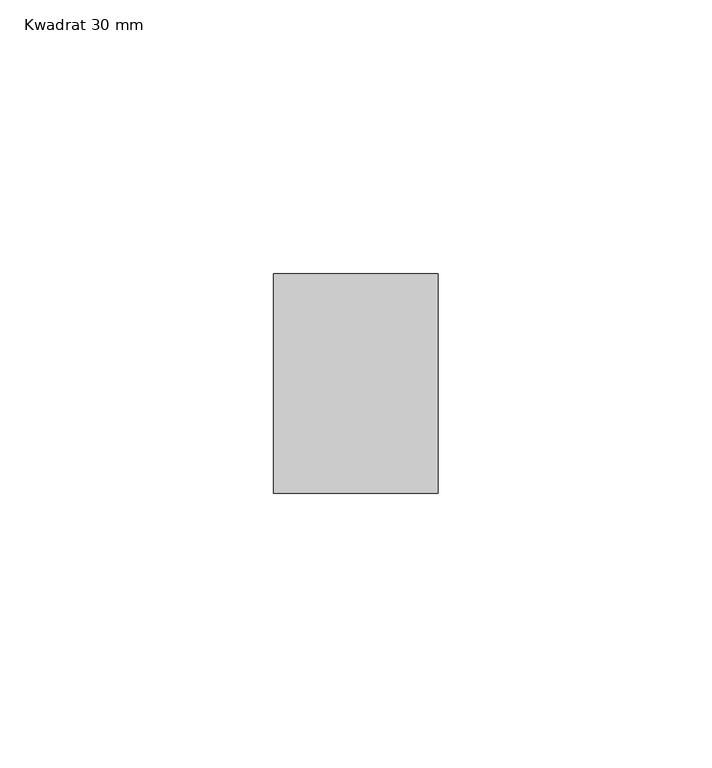
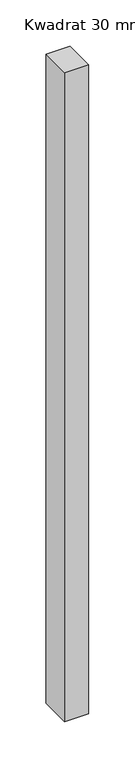
"""IFC4 building model written with IfcOpenShell, lengths in millimetres: member geometry, Kwadrat 30 mm."""

import ifcopenshell
import ifcopenshell.guid

model = None  # the IFC model being written
_history = None  # IfcOwnerHistory: only IFC2X3 demands one
_inside = {}  # id of a spatial element -> (the spatial element, [elements in it])
_under = {}  # id of a project, library or spatial element -> (it, [spatial elements below it])
_declared = {}  # id of a project -> (the project, [libraries it declares])
_typed = {}  # id of a type object -> (the type object, [elements of that type])
_made_of = {}  # id of a material, layer set ... -> (it, [elements and type objects made of it])


def new_model(schema):
    """Start an empty IFC model of exactly this schema.

    Asked for "IFC4X3", IfcOpenShell would pick the latest addendum, in which some entities
    have other attributes; the version numbers below select the first issue.
    IFC2X3 requires an IfcOwnerHistory on every rooted entity: one is made here for all.
    """
    global model, _history
    if schema == "IFC4X3":
        model = ifcopenshell.file(schema_version=(4, 3, 0, 0))
    else:
        model = ifcopenshell.file(schema=schema)
    _inside.clear()
    _under.clear()
    _declared.clear()
    _typed.clear()
    _made_of.clear()
    _history = None
    if model.schema == "IFC2X3":
        org = make("IfcOrganization", Name="unknown")
        user = make(
            "IfcPersonAndOrganization",
            ThePerson=make("IfcPerson", FamilyName="unknown"),
            TheOrganization=org,
        )
        app = make(
            "IfcApplication",
            ApplicationDeveloper=org,
            Version="unknown",
            ApplicationFullName="unknown",
            ApplicationIdentifier="unknown",
        )
        _history = make(
            "IfcOwnerHistory",
            OwningUser=user,
            OwningApplication=app,
            ChangeAction="ADDED",
            CreationDate=0,
        )
    return model


def make(cls, **values):
    """One entity of the class cls with the attributes given. An attribute that is None is left unset."""
    return model.create_entity(
        cls, **{name: value for name, value in values.items() if value is not None}
    )


def rooted(cls, **values):
    """An entity with a GlobalId (a new one), such as an element, a storey or a relation."""
    return make(cls, GlobalId=ifcopenshell.guid.new(), OwnerHistory=_history, **values)


def si_unit(unit_type, name, prefix=None):
    """IfcSIUnit, for example si_unit("LENGTHUNIT", "METRE", prefix="MILLI")."""
    return make("IfcSIUnit", UnitType=unit_type, Prefix=prefix, Name=name)


def assignment(units):
    """IfcUnitAssignment: the units of a project."""
    return None if units is None else make("IfcUnitAssignment", Units=units)


def point(xyz):
    """IfcCartesianPoint."""
    return None if xyz is None else make("IfcCartesianPoint", Coordinates=xyz)


def direction(xyz):
    """IfcDirection."""
    return None if xyz is None else make("IfcDirection", DirectionRatios=xyz)


def frame(location, z_axis=None, x_axis=None):
    """IfcAxis2Placement3D, a coordinate frame: its origin and axes. An axis left out is left unset."""
    return make(
        "IfcAxis2Placement3D",
        Location=point(location),
        Axis=direction(z_axis),
        RefDirection=direction(x_axis),
    )


def origin():
    """The frame at (0, 0, 0) with its axes left unset."""
    return frame((0.0, 0.0, 0.0))


def place(relative_to, where):
    """IfcLocalPlacement: puts the frame where relative to a parent placement (None: the world)."""
    return make(
        "IfcLocalPlacement", PlacementRelTo=relative_to, RelativePlacement=where
    )


def context(
    kind, dimensions, precision=None, world=None, true_north=None, identifier=None
):
    """IfcGeometricRepresentationContext, for example the 3D "Model" context."""
    return make(
        "IfcGeometricRepresentationContext",
        ContextIdentifier=identifier,
        ContextType=kind,
        CoordinateSpaceDimension=dimensions,
        Precision=precision,
        WorldCoordinateSystem=world,
        TrueNorth=true_north,
    )


def project(units=None, contexts=None):
    """IfcProject with its units and contexts."""
    return rooted(
        "IfcProject",
        Name="project",
        RepresentationContexts=contexts,
        UnitsInContext=assignment(units),
    )


def spatial(cls, under=None, at=None, **own):
    """A site, building, storey or space (cls), placed at a placement, below another one or the project."""
    s = rooted(cls, ObjectPlacement=at, **own)
    if under is not None:
        _under.setdefault(under.id(), (under, []))[1].append(s)
    return s


def polyline(points):
    """IfcPolyline through the points."""
    return make("IfcPolyline", Points=[point(p) for p in points])


def outline(outer, holes=None, kind="AREA"):
    """IfcArbitraryClosedProfileDef: a profile drawn as a closed curve; with holes, ...WithVoids."""
    if holes is None:
        return make("IfcArbitraryClosedProfileDef", ProfileType=kind, OuterCurve=outer)
    return make(
        "IfcArbitraryProfileDefWithVoids",
        ProfileType=kind,
        OuterCurve=outer,
        InnerCurves=holes,
    )


def extrude(swept, where, along, depth):
    """IfcExtrudedAreaSolid: the profile swept, set in the frame where, extruded along a direction by depth."""
    return make(
        "IfcExtrudedAreaSolid",
        SweptArea=swept,
        Position=where,
        ExtrudedDirection=direction(along),
        Depth=depth,
    )


def shape(context_of_items, identifier, shape_type, items):
    """IfcShapeRepresentation: the items that make up one representation, for example the "Body"."""
    return make(
        "IfcShapeRepresentation",
        ContextOfItems=context_of_items,
        RepresentationIdentifier=identifier,
        RepresentationType=shape_type,
        Items=items,
    )


def source(mapping_origin, context_of_items, identifier, shape_type, items):
    """IfcRepresentationMap: a shape defined once, which mapped items show again and again."""
    return make(
        "IfcRepresentationMap",
        MappingOrigin=mapping_origin,
        MappedRepresentation=shape(context_of_items, identifier, shape_type, items),
    )


def transform(
    local_origin,
    x_axis=None,
    y_axis=None,
    z_axis=None,
    scale=None,
    scale2=None,
    scale3=None,
    uniform=True,
):
    """IfcCartesianTransformationOperator3D, or its non-uniform kind. x_axis, y_axis, z_axis: its Axis1, 2, 3."""
    if uniform:
        return make(
            "IfcCartesianTransformationOperator3D",
            Axis1=direction(x_axis),
            Axis2=direction(y_axis),
            LocalOrigin=point(local_origin),
            Scale=scale,
            Axis3=direction(z_axis),
        )
    return make(
        "IfcCartesianTransformationOperator3DnonUniform",
        Axis1=direction(x_axis),
        Axis2=direction(y_axis),
        LocalOrigin=point(local_origin),
        Scale=scale,
        Axis3=direction(z_axis),
        Scale2=scale2,
        Scale3=scale3,
    )


def mapped(mapping_source, mapping_target):
    """IfcMappedItem: shows the shape of a source again, moved by a transform."""
    return make(
        "IfcMappedItem", MappingSource=mapping_source, MappingTarget=mapping_target
    )


def made_of(thing, what):
    """Note that an element or type object is made of a material, layer set ...; save() writes the relation."""
    if what is not None:
        _made_of.setdefault(what.id(), (what, []))[1].append(thing)
    return thing


def element(
    cls,
    number,
    at=None,
    inside=None,
    cuts=None,
    type_object=None,
    material=None,
    context=None,
    identifier="Body",
    shape_type=None,
    held_by="IfcProductDefinitionShape",
    body=None,
    shapes=None,
    **own,
):
    """One element of the class cls, such as IfcWall. Its Tag is "e" and its number.

    at: its placement. inside: the storey or other place that contains it. cuts: it is an
    opening in that element (IfcRelVoidsElement). A single representation is given by context,
    identifier, shape_type and body (its items); several are given by shapes. held_by: the class
    of the entity that holds the representations. save() writes the other relations.
    """
    e = rooted(cls, Tag="e%d" % number, ObjectPlacement=at, **own)
    if body is not None:
        shapes = [shape(context, identifier, shape_type, body)]
    if shapes is not None:
        e.Representation = make(held_by, Representations=shapes)
    if inside is not None:
        _inside.setdefault(inside.id(), (inside, []))[1].append(e)
    if cuts is not None:
        rooted(
            "IfcRelVoidsElement", RelatingBuildingElement=cuts, RelatedOpeningElement=e
        )
    if type_object is not None:
        _typed.setdefault(type_object.id(), (type_object, []))[1].append(e)
    return made_of(e, material)


def aggregate(whole, parts):
    """IfcRelAggregates: a whole, such as a stair, and the parts it consists of."""
    return rooted("IfcRelAggregates", RelatingObject=whole, RelatedObjects=parts)


def save(model, path):
    """Write the relations noted so far, then the file.

    IfcRelAggregates (storeys below a building ...), IfcRelContainedInSpatialStructure (elements
    in a storey), IfcRelDefinesByType, IfcRelAssociatesMaterial and IfcRelDeclares: one each for
    every whole, place, type object, material and project.
    """
    for whole, parts in _under.values():
        aggregate(whole, parts)
    for where, things in _inside.values():
        rooted(
            "IfcRelContainedInSpatialStructure",
            RelatedElements=things,
            RelatingStructure=where,
        )
    for kind, things in _typed.values():
        rooted("IfcRelDefinesByType", RelatedObjects=things, RelatingType=kind)
    for what, things in _made_of.values():
        rooted("IfcRelAssociatesMaterial", RelatedObjects=things, RelatingMaterial=what)
    for by, libraries in _declared.values():
        rooted("IfcRelDeclares", RelatingContext=by, RelatedDefinitions=libraries)
    model.write(path)


def kwadrat_30_mm_2e227ea0(model_context):
    return source(origin(), model_context, "Body", "SweptSolid", [
        extrude(outline(polyline([(15.0, 20.0), (15.0, -20.0), (-15.0, -20.0), (-15.0, 20.0), (15.0, 20.0)])), frame((0.0, 0.0, -855.0), z_axis=(0.0, 0.0, 1.0), x_axis=(1.0, 0.0, 0.0)), (0.0, 0.0, 1.0), 855.0),
    ])


if __name__ == "__main__":
    model = new_model("IFC4")
    model_context = context("Model", 3, world=origin())
    ifc_project = project(units=[si_unit("LENGTHUNIT", "METRE", prefix="MILLI")], contexts=[model_context])
    site = spatial("IfcSite", under=ifc_project)
    building = spatial("IfcBuilding", under=site)
    placement = place(None, origin())
    kwadrat_30_mm_shape = kwadrat_30_mm_2e227ea0(model_context)
    element("IfcMember", 1, ObjectType="Kwadrat 30 mm", at=placement, inside=building, context=model_context, shape_type="MappedRepresentation", body=[
        mapped(kwadrat_30_mm_shape, transform((0.0, 0.0, 0.0), x_axis=(1.0, 0.0, 0.0), y_axis=(0.0, 1.0, 0.0), z_axis=(0.0, 0.0, 1.0))),
    ])
    save(model, "model.ifc")
